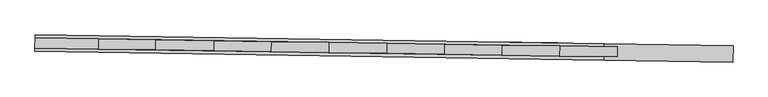
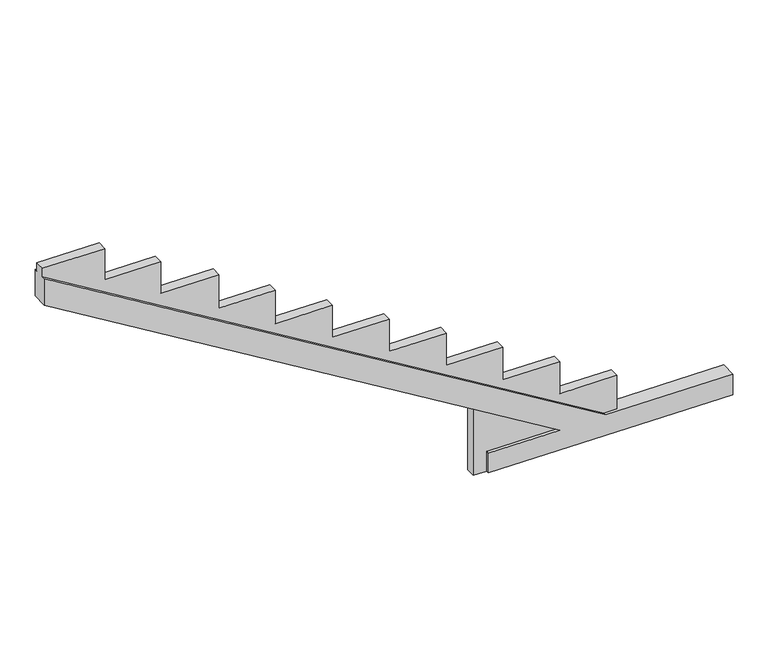
"""IFC4 building model written with IfcOpenShell, lengths in millimetres: beam geometry."""

from ifc_helpers import new_model, si_unit, origin, place, context, project, spatial, faceted_brep, source, transform, mapped, element, save


def beam_eb288cc1(model_context):
    return source(origin(), model_context, "Body", "Brep", [
        faceted_brep([(-116814.2720816, 86114.7375006, -302.5034315), (-116814.2720816, 86114.7375006, -56.5699712), (-115976.1007269, 86102.0179281, -56.5699712), (-122003.8106249, 86193.4907422, 3558.0784211), (-122003.8106249, 86193.4907422, 3887.8655611), (-115442.8305718, 86093.9253486, -46.5699712), (-113957.5921826, 86071.3862853, -46.5699712), (-113957.5921826, 86071.3862853, -302.5034315), (-116817.1527985, 85924.9092356, -302.5034315), (-113960.4728995, 85881.5580203, -302.5034315), (-113960.4728995, 85881.5580203, -46.5699712), (-115445.7112887, 85904.0970837, -46.5699712), (-122006.6913417, 86003.6624773, 3887.8655611), (-122006.6913417, 86003.6624773, 3558.0784211), (-115978.9814438, 85912.1896632, -56.5699712), (-116817.1527985, 85924.9092356, -56.5699712), (-116816.5778133, 85962.7985684, -302.5034315), (-116972.4061121, 85965.1633227, -302.5034315), (-116970.6287535, 86082.2844776, -302.5034315), (-116814.8004548, 86079.9197233, -302.5034315), (-115443.3589449, 86059.1075714, -46.5699712), (-115292.8748539, 86056.8239174, -46.5699712), (-115294.6522124, 85939.7027625, -46.5699712), (-115445.1363035, 85941.9864164, -46.5699712), (-122004.338998, 86158.672965, 3887.8655611), (-122006.1163566, 86041.5518101, 3887.8655611), (-122006.1163566, 86041.5518101, 3992.4153724), (-122004.338998, 86158.672965, 3992.4153724), (-115976.6291, 86067.2001509, -56.5699712), (-116970.6287535, 86082.2844776, 539.5037135), (-116972.4061121, 85965.1633227, 539.5037135), (-115978.4064586, 85950.078996, -56.5699712), (-116814.8004548, 86079.9197233, -56.5699712), (-116816.5778133, 85962.7985684, -56.5699712), (-121276.3660364, 86147.6256955, 3992.4153724), (-121276.3660364, 86147.6256955, 3602.4765953), (-120619.670981, 86137.6600957, 3602.4765953), (-120619.670981, 86137.6600957, 3213.7280705), (-119944.6539731, 86127.4164532, 3213.7280705), (-119944.6539731, 86127.4164532, 2793.2783254), (-119284.6608248, 86117.4008036, 2793.2783254), (-119284.6608248, 86117.4008036, 2377.8804107), (-118616.2921289, 86107.2580518, 2377.8804107), (-118616.2921289, 86107.2580518, 1977.4306656), (-117951.273652, 86097.1661408, 1977.4306656), (-117951.273652, 86097.1661408, 1578.7080561), (-117286.2812381, 86087.0746254, 1578.7080561), (-117286.2812381, 86087.0746254, 1174.9595313), (-116622.9118077, 86077.0077393, 1174.9595313), (-116622.9118077, 86077.0077393, 767.8863115), (-115957.8933308, 86066.9158284, 767.8863115), (-115957.8933308, 86066.9158284, 370.9167528), (-115292.8748539, 86056.8239174, 370.9167528), (-115294.6522124, 85939.7027625, 370.9167528), (-115959.6706893, 85949.7946735, 370.9167528), (-115959.6706893, 85949.7946735, 767.8863115), (-116624.6891662, 85959.8865844, 767.8863115), (-116624.6891662, 85959.8865844, 1174.9595313), (-117288.0585967, 85969.9534705, 1174.9595313), (-117288.0585967, 85969.9534705, 1578.7080561), (-117953.0510105, 85980.0449859, 1578.7080561), (-117953.0510105, 85980.0449859, 1977.4306656), (-118618.0694874, 85990.1368968, 1977.4306656), (-118618.0694874, 85990.1368968, 2377.8804107), (-119286.4381833, 86000.2796487, 2377.8804107), (-119286.4381833, 86000.2796487, 2793.2783254), (-119946.4313317, 86010.2952983, 2793.2783254), (-119946.4313317, 86010.2952983, 3213.7280705), (-120621.4483395, 86020.5389408, 3213.7280705), (-120621.4483395, 86020.5389408, 3602.4765953), (-121278.143395, 86030.5045406, 3602.4765953), (-121278.143395, 86030.5045406, 3992.4153724)], [[[0, 1, 2, 3, 4, 5, 6, 7]], [[8, 9, 10, 11, 12, 13, 14, 15]], [[0, 7, 9, 8, 16, 17, 18, 19]], [[7, 6, 10, 9]], [[6, 5, 20, 21, 22, 23, 11, 10]], [[5, 4, 24, 20]], [[12, 11, 23, 25]], [[4, 3, 13, 12, 25, 26, 27, 24]], [[3, 2, 28, 29, 30, 31, 14, 13]], [[2, 1, 32, 28]], [[15, 14, 31, 33]], [[1, 0, 19, 32]], [[8, 15, 33, 16]], [[19, 18, 29, 28, 32]], [[27, 34, 35, 36, 37, 38, 39, 40, 41, 42, 43, 44, 45, 46, 47, 48, 49, 50, 51, 52, 21, 20, 24]], [[17, 16, 33, 31, 30]], [[22, 53, 54, 55, 56, 57, 58, 59, 60, 61, 62, 63, 64, 65, 66, 67, 68, 69, 70, 71, 26, 25, 23]], [[18, 17, 30, 29]], [[21, 52, 53, 22]], [[52, 51, 54, 53]], [[51, 50, 55, 54]], [[50, 49, 56, 55]], [[49, 48, 57, 56]], [[48, 47, 58, 57]], [[47, 46, 59, 58]], [[46, 45, 60, 59]], [[45, 44, 61, 60]], [[44, 43, 62, 61]], [[43, 42, 63, 62]], [[42, 41, 64, 63]], [[41, 40, 65, 64]], [[40, 39, 66, 65]], [[39, 38, 67, 66]], [[38, 37, 68, 67]], [[37, 36, 69, 68]], [[36, 35, 70, 69]], [[35, 34, 71, 70]], [[34, 27, 26, 71]]]),
    ])


if __name__ == "__main__":
    model = new_model("IFC4")
    model_context = context("Model", 3, world=origin())
    ifc_project = project(units=[si_unit("LENGTHUNIT", "METRE", prefix="MILLI")], contexts=[model_context])
    site = spatial("IfcSite", under=ifc_project)
    building = spatial("IfcBuilding", under=site)
    placement = place(None, origin())
    beam_shape = beam_eb288cc1(model_context)
    element("IfcBeam", 1, at=placement, inside=building, context=model_context, shape_type="MappedRepresentation", body=[
        mapped(beam_shape, transform((0.0, 0.0, 0.0), x_axis=(1.0, 0.0, 0.0), y_axis=(0.0, 1.0, 0.0), z_axis=(0.0, 0.0, 1.0))),
    ])
    save(model, "model.ifc")
